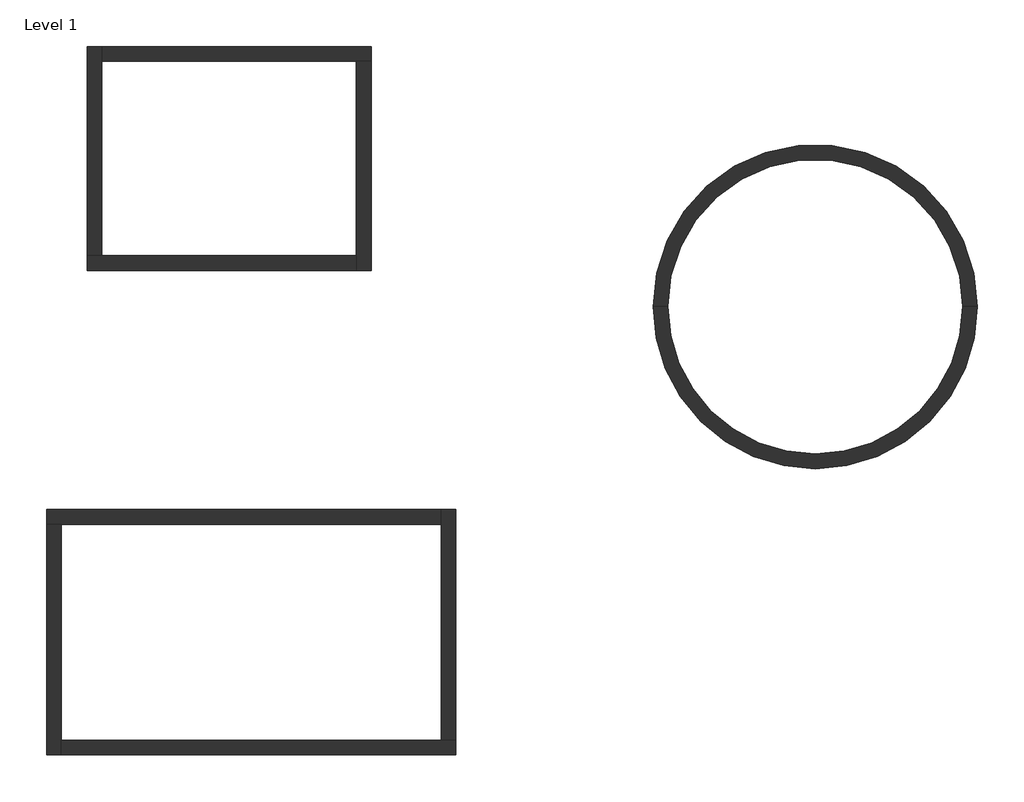
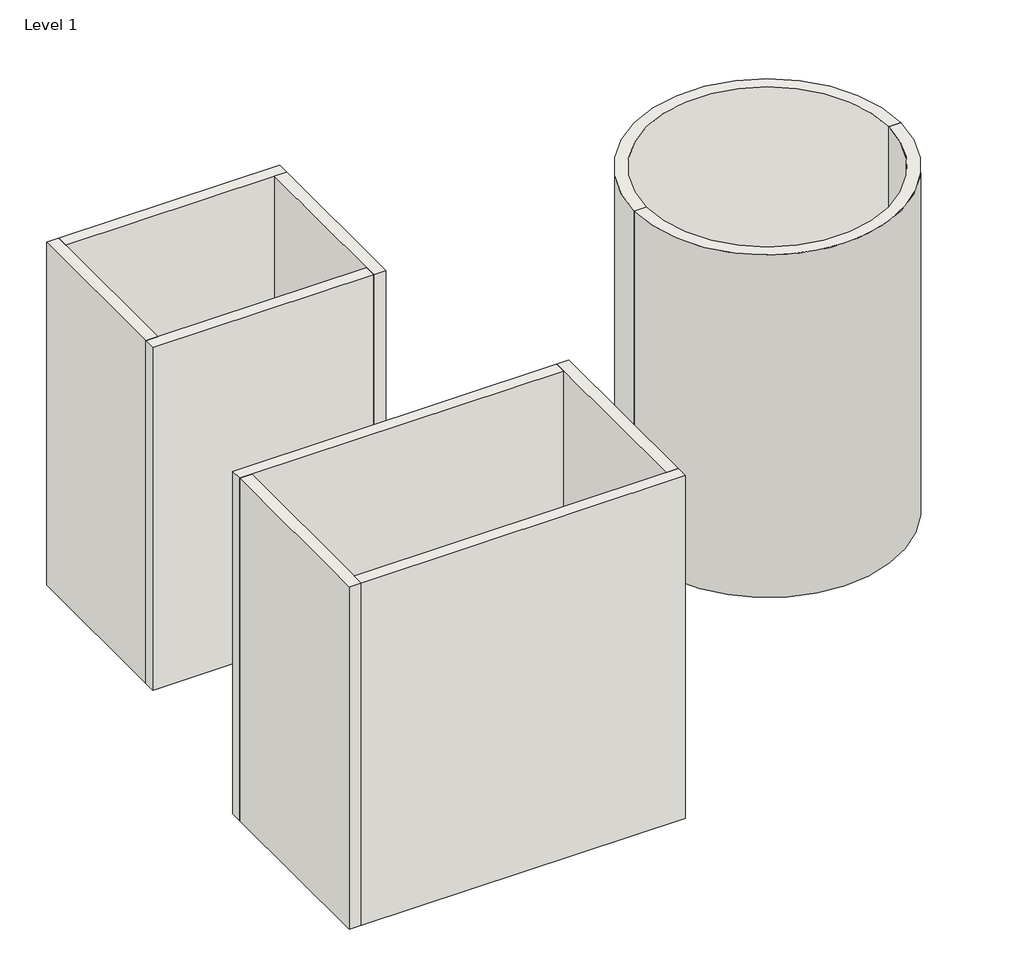
# One storey: 10 walls.
"""IFC4 building model written with IfcOpenShell, lengths in millimetres."""

from ifc_helpers import new_model, si_unit, point, frame_2d, origin, origin_with_axes, place, context, project, spatial, polyline, circle_curve, trimmed, segment, composite_curve, outline, extrude, faceted_brep, element, save

model = new_model("IFC4")

# Units and contexts
model_context = context("Model", 3, world=origin())
ifc_project = project(units=[si_unit("LENGTHUNIT", "METRE", prefix="MILLI")], contexts=[model_context])

# Site, building, storey
site = spatial("IfcSite", under=ifc_project)
building = spatial("IfcBuilding", under=site)
storey = spatial("IfcBuildingStorey", under=building, Name="Level 1", Elevation=0.0)

# Walls
placement = place(None, origin())
element("IfcWall", 1, ObjectType="Wall 1", at=placement, inside=storey, context=model_context, shape_type="Brep", body=[
    faceted_brep([(5972.0263194, 9136.6021808, 0.0), (2255.1791962, 9136.6021808, 0.0), (2255.1791962, 9136.6021808, 6096.0), (5972.0263194, 9136.6021808, 6096.0), (5972.0263194, 8933.4021808, 0.0), (5972.0263194, 8933.4021808, 6096.0), (5768.8263194, 8933.4021808, 6096.0), (2255.1791962, 8933.4021808, 6096.0), (2255.1791962, 8933.4021808, 0.0), (5768.8263194, 8933.4021808, 0.0)], [[[0, 1, 2, 3]], [[4, 5, 6, 7, 8, 9]], [[1, 0, 4, 9, 8]], [[3, 2, 7, 6, 5]], [[0, 3, 5, 4]], [[2, 1, 8, 7]]]),
])
element("IfcWall", 2, ObjectType="Wall 1", at=placement, inside=storey, context=model_context, shape_type="Brep", body=[
    faceted_brep([(5972.0263194, 6042.521085, 0.0), (5972.0263194, 8933.4021808, 0.0), (5972.0263194, 8933.4021808, 6096.0), (5972.0263194, 6042.521085, 6096.0), (5768.8263194, 6042.521085, 0.0), (5768.8263194, 6042.521085, 6096.0), (5768.8263194, 6245.721085, 6096.0), (5768.8263194, 8933.4021808, 6096.0), (5768.8263194, 8933.4021808, 0.0), (5768.8263194, 6245.721085, 0.0)], [[[0, 1, 2, 3]], [[4, 5, 6, 7, 8, 9]], [[1, 0, 4, 9, 8]], [[3, 2, 7, 6, 5]], [[0, 3, 5, 4]], [[2, 1, 8, 7]]]),
])
element("IfcWall", 3, ObjectType="Wall 1", at=placement, inside=storey, context=model_context, shape_type="Brep", body=[
    faceted_brep([(2051.9791962, 6042.521085, 0.0), (5768.8263194, 6042.521085, 0.0), (5768.8263194, 6042.521085, 6096.0), (2051.9791962, 6042.521085, 6096.0), (2051.9791962, 6245.721085, 0.0), (2051.9791962, 6245.721085, 6096.0), (2255.1791962, 6245.721085, 6096.0), (5768.8263194, 6245.721085, 6096.0), (5768.8263194, 6245.721085, 0.0), (2255.1791962, 6245.721085, 0.0)], [[[0, 1, 2, 3]], [[4, 5, 6, 7, 8, 9]], [[1, 0, 4, 9, 8]], [[3, 2, 7, 6, 5]], [[0, 3, 5, 4]], [[2, 1, 8, 7]]]),
])
element("IfcWall", 4, ObjectType="Wall 1", at=placement, inside=storey, context=model_context, shape_type="Brep", body=[
    faceted_brep([(2051.9791962, 9136.6021808, 0.0), (2051.9791962, 6245.721085, 0.0), (2051.9791962, 6245.721085, 6096.0), (2051.9791962, 9136.6021808, 6096.0), (2255.1791962, 9136.6021808, 0.0), (2255.1791962, 9136.6021808, 6096.0), (2255.1791962, 8933.4021808, 6096.0), (2255.1791962, 6245.721085, 6096.0), (2255.1791962, 6245.721085, 0.0), (2255.1791962, 8933.4021808, 0.0)], [[[0, 1, 2, 3]], [[4, 5, 6, 7, 8, 9]], [[1, 0, 4, 9, 8]], [[3, 2, 7, 6, 5]], [[0, 3, 5, 4]], [[2, 1, 8, 7]]]),
])
element("IfcWall", 5, ObjectType="Wall 1", at=placement, inside=storey, context=model_context, shape_type="Brep", body=[
    faceted_brep([(1492.2767593, 2535.5679288, 0.0), (1695.4767593, 2535.5679288, 0.0), (6940.522414, 2535.5679288, 0.0), (6940.522414, 2535.5679288, 6096.0), (1695.4767593, 2535.5679288, 6096.0), (1492.2767593, 2535.5679288, 6096.0), (1492.2767593, 2738.7679288, 0.0), (1492.2767593, 2738.7679288, 6096.0), (6940.522414, 2738.7679288, 6096.0), (6940.522414, 2738.7679288, 0.0)], [[[0, 1, 2, 3, 4, 5]], [[6, 7, 8, 9]], [[2, 1, 0, 6, 9]], [[5, 4, 3, 8, 7]], [[0, 5, 7, 6]], [[3, 2, 9, 8]]]),
])
element("IfcWall", 6, ObjectType="Wall 1", at=placement, inside=storey, context=model_context, shape_type="Brep", body=[
    faceted_brep([(1695.4767593, -651.6557792, 0.0), (1695.4767593, -448.4557792, 0.0), (1695.4767593, 2535.5679288, 0.0), (1695.4767593, 2535.5679288, 6096.0), (1695.4767593, -448.4557792, 6096.0), (1695.4767593, -651.6557792, 6096.0), (1492.2767593, -651.6557792, 0.0), (1492.2767593, -651.6557792, 6096.0), (1492.2767593, 2535.5679288, 6096.0), (1492.2767593, 2535.5679288, 0.0)], [[[0, 1, 2, 3, 4, 5]], [[6, 7, 8, 9]], [[2, 1, 0, 6, 9]], [[5, 4, 3, 8, 7]], [[0, 5, 7, 6]], [[3, 2, 9, 8]]]),
])
element("IfcWall", 7, ObjectType="Wall 1", at=placement, inside=storey, context=model_context, shape_type="Brep", body=[
    faceted_brep([(7143.722414, -448.4557792, 0.0), (6940.522414, -448.4557792, 0.0), (1695.4767593, -448.4557792, 0.0), (1695.4767593, -448.4557792, 6096.0), (6940.522414, -448.4557792, 6096.0), (7143.722414, -448.4557792, 6096.0), (7143.722414, -651.6557792, 0.0), (7143.722414, -651.6557792, 6096.0), (1695.4767593, -651.6557792, 6096.0), (1695.4767593, -651.6557792, 0.0)], [[[0, 1, 2, 3, 4, 5]], [[6, 7, 8, 9]], [[2, 1, 0, 6, 9]], [[5, 4, 3, 8, 7]], [[0, 5, 7, 6]], [[3, 2, 9, 8]]]),
])
element("IfcWall", 8, ObjectType="Wall 1", at=placement, inside=storey, context=model_context, shape_type="Brep", body=[
    faceted_brep([(6940.522414, 2738.7679288, 0.0), (6940.522414, 2535.5679288, 0.0), (6940.522414, -448.4557792, 0.0), (6940.522414, -448.4557792, 6096.0), (6940.522414, 2535.5679288, 6096.0), (6940.522414, 2738.7679288, 6096.0), (7143.722414, 2738.7679288, 0.0), (7143.722414, 2738.7679288, 6096.0), (7143.722414, -448.4557792, 6096.0), (7143.722414, -448.4557792, 0.0)], [[[0, 1, 2, 3, 4, 5]], [[6, 7, 8, 9]], [[2, 1, 0, 6, 9]], [[5, 4, 3, 8, 7]], [[0, 5, 7, 6]], [[3, 2, 9, 8]]]),
])
element("IfcWall", 9, ObjectType="Wall 1", at=placement, inside=storey, context=model_context, shape_type="SweptSolid", body=[
    extrude(outline(composite_curve([segment(polyline([(10069.3944556, 5543.1910773), (9866.1944556, 5543.1910773)]), True, "CONTINUOUS"), segment(trimmed(circle_curve(frame_2d((12105.633526, 5543.1910773)), 2239.4390704), [point((9866.1944556, 5543.1910773))], [point((14345.0725965, 5543.1910773))], False, "CARTESIAN"), True, "CONTINUOUS"), segment(polyline([(14345.0725965, 5543.1910773), (14141.8725965, 5543.1910773)]), True, "CONTINUOUS"), segment(trimmed(circle_curve(frame_2d((12105.633526, 5543.1910773)), 2036.2390704), [point((14141.8725965, 5543.1910773))], [point((10069.3944556, 5543.1910773))], True, "CARTESIAN"), True, "CONTINUOUS")], self_intersect=False)), origin_with_axes(), (0.0, 0.0, 1.0), 6096.0),
])
element("IfcWall", 10, ObjectType="Wall 1", at=placement, inside=storey, context=model_context, shape_type="SweptSolid", body=[
    extrude(outline(composite_curve([segment(polyline([(14141.8725965, 5543.1910773), (14345.0725965, 5543.1910773)]), True, "CONTINUOUS"), segment(trimmed(circle_curve(frame_2d((12105.633526, 5543.1910773)), 2239.4390704), [point((14345.0725965, 5543.1910773))], [point((9866.1944556, 5543.1910773))], False, "CARTESIAN"), True, "CONTINUOUS"), segment(polyline([(9866.1944556, 5543.1910773), (10069.3944556, 5543.1910773)]), True, "CONTINUOUS"), segment(trimmed(circle_curve(frame_2d((12105.633526, 5543.1910773)), 2036.2390704), [point((10069.3944556, 5543.1910773))], [point((14141.8725965, 5543.1910773))], True, "CARTESIAN"), True, "CONTINUOUS")], self_intersect=False)), origin_with_axes(), (0.0, 0.0, 1.0), 6096.0),
])

save(model, "model.ifc")
